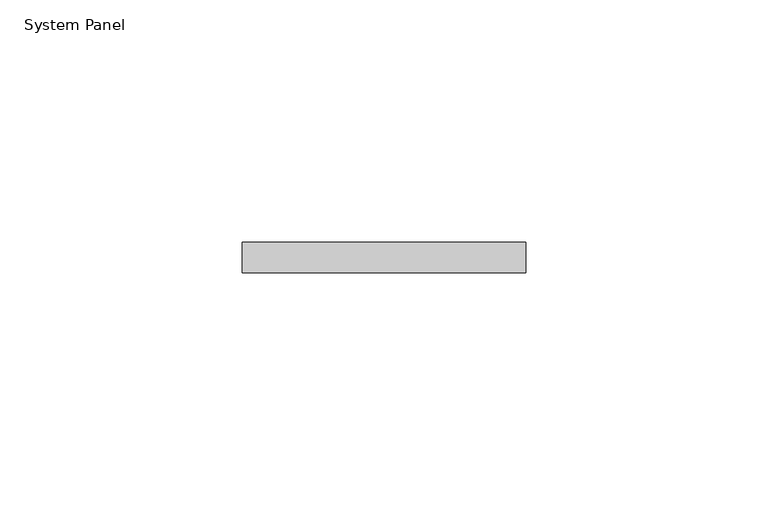
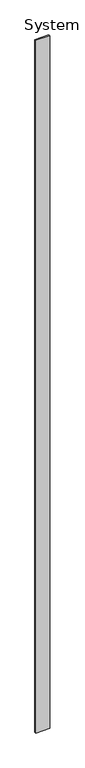
"""IFC4 building model written with IfcOpenShell, lengths in millimetres: plate geometry, System Panel."""

from ifc_helpers import new_model, si_unit, origin, origin_with_axes, place, context, project, spatial, polyline, outline, extrude, source, transform, mapped, element, save


def system_panel_1ce4d0bd(model_context):
    return source(origin(), model_context, "Body", "SweptSolid", [
        extrude(outline(polyline([(29.2699645, 0.0), (-29.2699645, 0.0), (-29.2699645, 6.35), (29.2699645, 6.35), (29.2699645, 0.0)])), origin_with_axes(), (0.0, 0.0, 1.0), 3048.0),
    ])


if __name__ == "__main__":
    model = new_model("IFC4")
    model_context = context("Model", 3, world=origin())
    ifc_project = project(units=[si_unit("LENGTHUNIT", "METRE", prefix="MILLI")], contexts=[model_context])
    site = spatial("IfcSite", under=ifc_project)
    building = spatial("IfcBuilding", under=site)
    placement = place(None, origin())
    system_panel_shape = system_panel_1ce4d0bd(model_context)
    element("IfcPlate", 1, ObjectType="System Panel", at=placement, inside=building, context=model_context, shape_type="MappedRepresentation", body=[
        mapped(system_panel_shape, transform((0.0, 0.0, 0.0), x_axis=(1.0, 0.0, 0.0), y_axis=(0.0, 1.0, 0.0), z_axis=(0.0, 0.0, 1.0))),
    ])
    save(model, "model.ifc")
